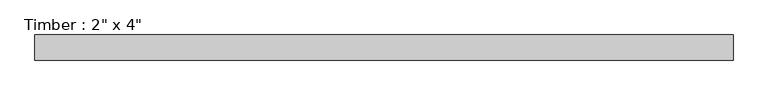
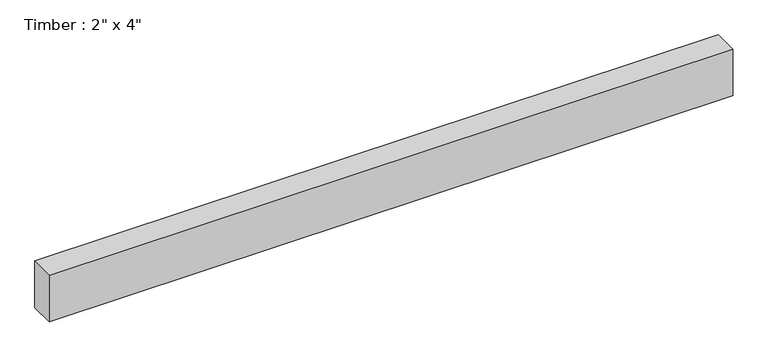
"""IFC4 building model written with IfcOpenShell, lengths in millimetres: beam geometry."""

from ifc_helpers import new_model, si_unit, frame, origin, place, context, project, spatial, polyline, outline, extrude, source, transform, mapped, element, save


def beam_425c3724(model_context):
    return source(origin(), model_context, "Body", "SweptSolid", [
        extrude(outline(polyline([(698.251515, 25.4), (698.251515, -25.4), (-710.8197444, -25.4), (-710.8197444, 25.4), (698.251515, 25.4)])), frame((0.0, 0.0, -50.8), z_axis=(0.0, 0.0, 1.0), x_axis=(1.0, 0.0, 0.0)), (0.0, 0.0, 1.0), 101.6),
    ])


if __name__ == "__main__":
    model = new_model("IFC4")
    model_context = context("Model", 3, world=origin())
    ifc_project = project(units=[si_unit("LENGTHUNIT", "METRE", prefix="MILLI")], contexts=[model_context])
    site = spatial("IfcSite", under=ifc_project)
    building = spatial("IfcBuilding", under=site)
    placement = place(None, origin())
    beam_shape = beam_425c3724(model_context)
    element("IfcBeam", 1, ObjectType="Timber : 2\" x 4\"", at=placement, inside=building, context=model_context, shape_type="MappedRepresentation", body=[
        mapped(beam_shape, transform((0.0, 0.0, 0.0), x_axis=(1.0, 0.0, 0.0), y_axis=(0.0, 1.0, 0.0), z_axis=(0.0, 0.0, 1.0))),
    ])
    save(model, "model.ifc")
